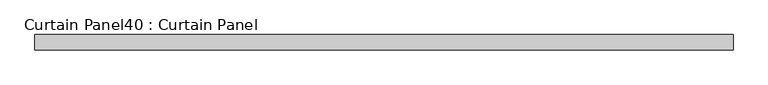
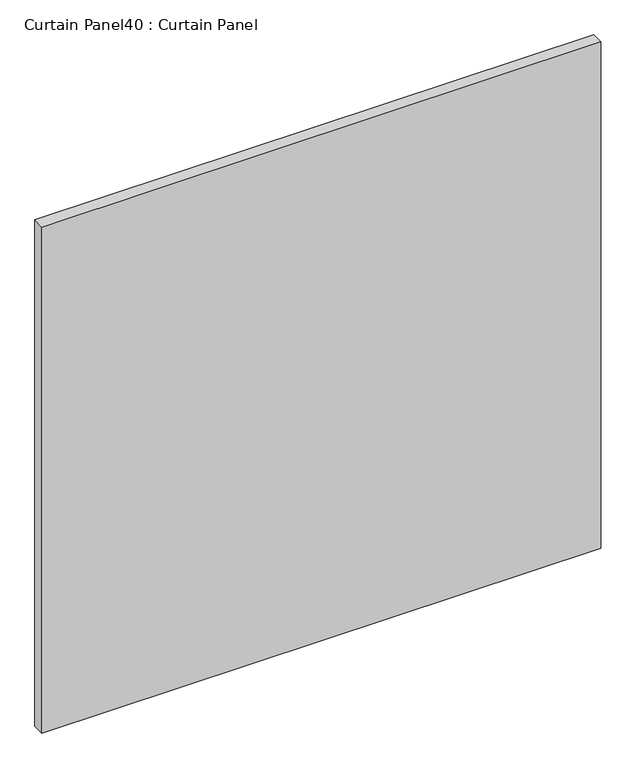
"""IFC4 building model written with IfcOpenShell, lengths in millimetres: plate geometry, Curtain Panel40 : Curtain Panel."""

from ifc_helpers import new_model, si_unit, frame, origin, place, context, project, spatial, polyline, outline, extrude, source, transform, mapped, element, save


def curtain_panel40_curtain_panel_b1b57571(model_context):
    return source(origin(), model_context, "Body", "SweptSolid", [
        extrude(outline(polyline([(-411448.4505274, 3483.7345246), (-412605.3149983, 3483.7345246), (-412605.3149983, 3509.1345246), (-411448.4505274, 3509.1345246), (-411448.4505274, 3483.7345246)])), frame((0.0, 0.0, 2447.9251132), z_axis=(0.0, 0.0, 1.0), x_axis=(1.0, 0.0, 0.0)), (0.0, 0.0, 1.0), 1107.5851068),
    ])


if __name__ == "__main__":
    model = new_model("IFC4")
    model_context = context("Model", 3, world=origin())
    ifc_project = project(units=[si_unit("LENGTHUNIT", "METRE", prefix="MILLI")], contexts=[model_context])
    site = spatial("IfcSite", under=ifc_project)
    building = spatial("IfcBuilding", under=site)
    placement = place(None, origin())
    curtain_panel40_curtain_panel_shape = curtain_panel40_curtain_panel_b1b57571(model_context)
    element("IfcPlate", 1, ObjectType="Curtain Panel40 : Curtain Panel", at=placement, inside=building, context=model_context, shape_type="MappedRepresentation", body=[
        mapped(curtain_panel40_curtain_panel_shape, transform((0.0, 0.0, 0.0), x_axis=(1.0, 0.0, 0.0), y_axis=(0.0, 1.0, 0.0), z_axis=(0.0, 0.0, 1.0))),
    ])
    save(model, "model.ifc")
